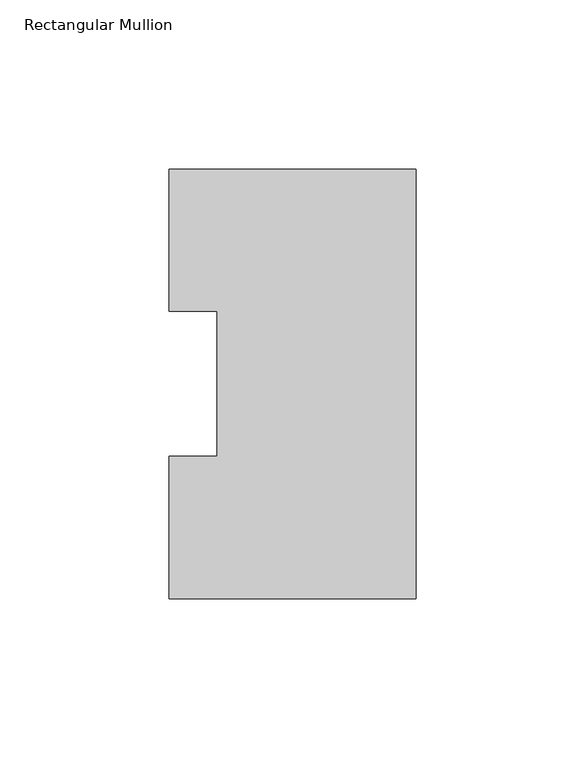
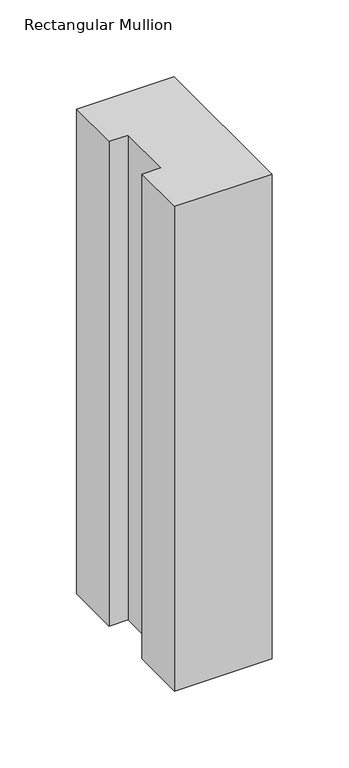
"""IFC4 building model written with IfcOpenShell, lengths in millimetres: member geometry, Rectangular Mullion."""

from ifc_helpers import new_model, si_unit, frame, origin, place, context, project, spatial, polyline, outline, extrude, source, transform, mapped, element, save


def rectangular_mullion_4c04934e(model_context):
    return source(origin(), model_context, "Body", "SweptSolid", [
        extrude(outline(polyline([(-73.025, 127.00635), (0.0, 127.00635), (0.0, 0.00635), (-73.025, 0.00635), (-73.025, 42.08145), (-58.725404, 42.08145), (-58.725404, 84.93125), (-73.025, 84.93125), (-73.025, 127.00635)])), frame((0.0, 0.0, -384.175), z_axis=(0.0, 0.0, 1.0), x_axis=(1.0, 0.0, 0.0)), (0.0, 0.0, 1.0), 384.175),
    ])


if __name__ == "__main__":
    model = new_model("IFC4")
    model_context = context("Model", 3, world=origin())
    ifc_project = project(units=[si_unit("LENGTHUNIT", "METRE", prefix="MILLI")], contexts=[model_context])
    site = spatial("IfcSite", under=ifc_project)
    building = spatial("IfcBuilding", under=site)
    placement = place(None, origin())
    rectangular_mullion_shape = rectangular_mullion_4c04934e(model_context)
    element("IfcMember", 1, ObjectType="Rectangular Mullion", at=placement, inside=building, context=model_context, shape_type="MappedRepresentation", body=[
        mapped(rectangular_mullion_shape, transform((0.0, 0.0, 0.0), x_axis=(1.0, 0.0, 0.0), y_axis=(0.0, 1.0, 0.0), z_axis=(0.0, 0.0, 1.0))),
    ])
    save(model, "model.ifc")
